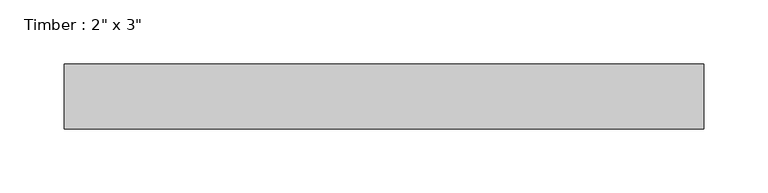
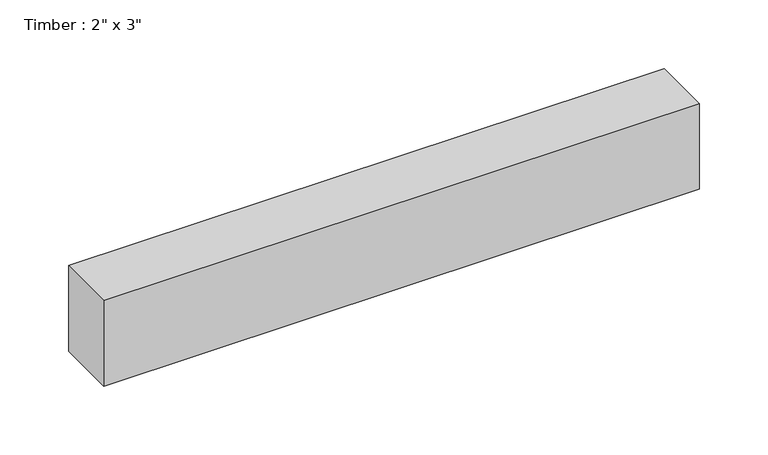
"""IFC4 building model written with IfcOpenShell, lengths in millimetres: beam geometry."""

from ifc_helpers import new_model, si_unit, frame, origin, place, context, project, spatial, polyline, outline, extrude, source, transform, mapped, element, save


def beam_f4d9addc(model_context):
    return source(origin(), model_context, "Body", "SweptSolid", [
        extrude(outline(polyline([(249.7514242, -25.4), (-249.7514242, -25.4), (-249.7514242, 25.4), (249.7514242, 25.4), (249.7514242, -25.4)])), frame((0.0, 0.0, -38.1), z_axis=(0.0, 0.0, 1.0), x_axis=(1.0, 0.0, 0.0)), (0.0, 0.0, 1.0), 76.2),
    ])


if __name__ == "__main__":
    model = new_model("IFC4")
    model_context = context("Model", 3, world=origin())
    ifc_project = project(units=[si_unit("LENGTHUNIT", "METRE", prefix="MILLI")], contexts=[model_context])
    site = spatial("IfcSite", under=ifc_project)
    building = spatial("IfcBuilding", under=site)
    placement = place(None, origin())
    beam_shape = beam_f4d9addc(model_context)
    element("IfcBeam", 1, ObjectType="Timber : 2\" x 3\"", at=placement, inside=building, context=model_context, shape_type="MappedRepresentation", body=[
        mapped(beam_shape, transform((0.0, 0.0, 0.0), x_axis=(1.0, 0.0, 0.0), y_axis=(0.0, 1.0, 0.0), z_axis=(0.0, 0.0, 1.0))),
    ])
    save(model, "model.ifc")
